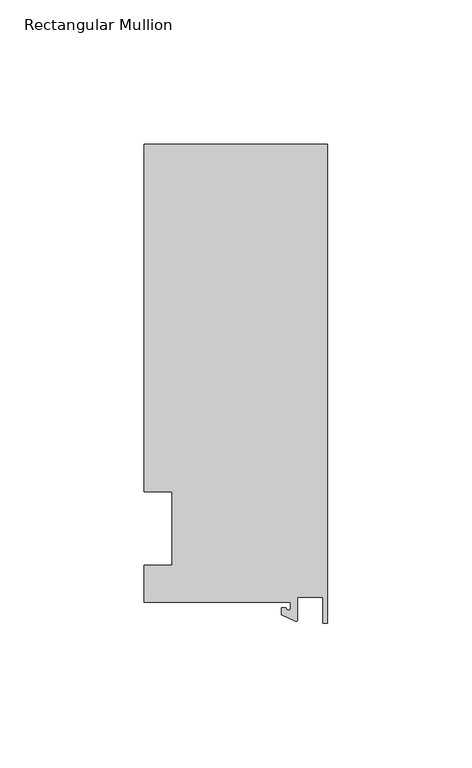
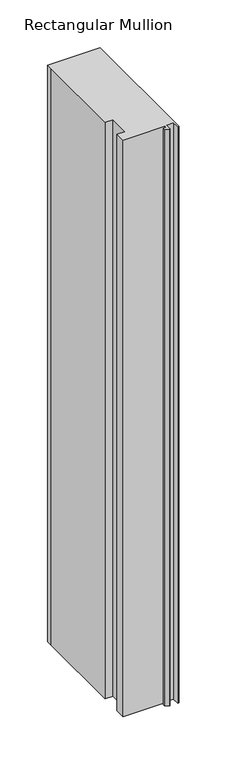
"""IFC4 building model written with IfcOpenShell, lengths in millimetres: member geometry, Rectangular Mullion."""

from ifc_helpers import new_model, si_unit, point, frame, frame_2d, origin, place, context, project, spatial, polyline, circle_curve, trimmed, segment, composite_curve, outline, extrude, source, transform, mapped, element, save


def rectangular_mullion_c302b958(model_context):
    return source(origin(), model_context, "Body", "SweptSolid", [
        extrude(outline(composite_curve([segment(polyline([(-12.8216721, -25.5984375), (-63.5, -25.5984375), (-63.5, -12.7), (-53.975, -12.7), (-53.975, 12.7), (-63.5, 12.7), (-63.5, 125.075512), (-63.5, 132.822512), (0.0, 132.822512), (0.0, -32.810012), (-1.5566453, -32.810012), (-1.7144124, -23.9227662), (-10.4340721, -23.9227662), (-10.4340721, -31.6795354)]), True, "CONTINUOUS"), segment(trimmed(circle_curve(frame_2d((-10.9420721, -31.6795354)), 0.508), [point((-10.4340721, -31.6795354))], [point((-11.1567622, -32.1399398))], False, "CARTESIAN"), True, "CONTINUOUS"), segment(polyline([(-11.1567622, -32.1399398), (-15.9966721, -29.8830527), (-15.9966721, -27.5208534), (-14.4091721, -27.5208534)]), True, "CONTINUOUS"), segment(trimmed(circle_curve(frame_2d((-13.6154221, -27.5208534)), 0.79375), [point((-14.4091721, -27.5208534))], [point((-12.8216721, -27.5208534))], True, "CARTESIAN"), True, "CONTINUOUS"), segment(polyline([(-12.8216721, -27.5208534), (-12.8216721, -25.5984375)]), True, "CONTINUOUS")], self_intersect=False)), frame((0.0, 0.0, -736.6), z_axis=(0.0, 0.0, 1.0), x_axis=(1.0, 0.0, 0.0)), (0.0, 0.0, 1.0), 736.6),
    ])


if __name__ == "__main__":
    model = new_model("IFC4")
    model_context = context("Model", 3, world=origin())
    ifc_project = project(units=[si_unit("LENGTHUNIT", "METRE", prefix="MILLI")], contexts=[model_context])
    site = spatial("IfcSite", under=ifc_project)
    building = spatial("IfcBuilding", under=site)
    placement = place(None, origin())
    rectangular_mullion_shape = rectangular_mullion_c302b958(model_context)
    element("IfcMember", 1, ObjectType="Rectangular Mullion", at=placement, inside=building, context=model_context, shape_type="MappedRepresentation", body=[
        mapped(rectangular_mullion_shape, transform((0.0, 0.0, 0.0), x_axis=(1.0, 0.0, 0.0), y_axis=(0.0, 1.0, 0.0), z_axis=(0.0, 0.0, 1.0))),
    ])
    save(model, "model.ifc")
